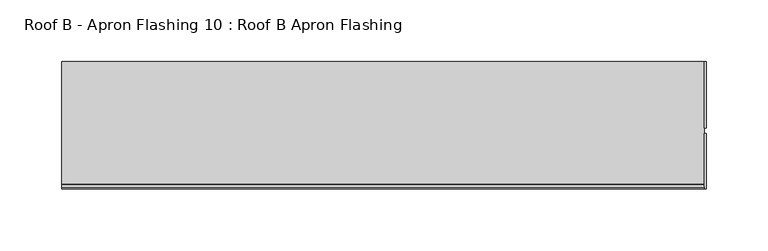
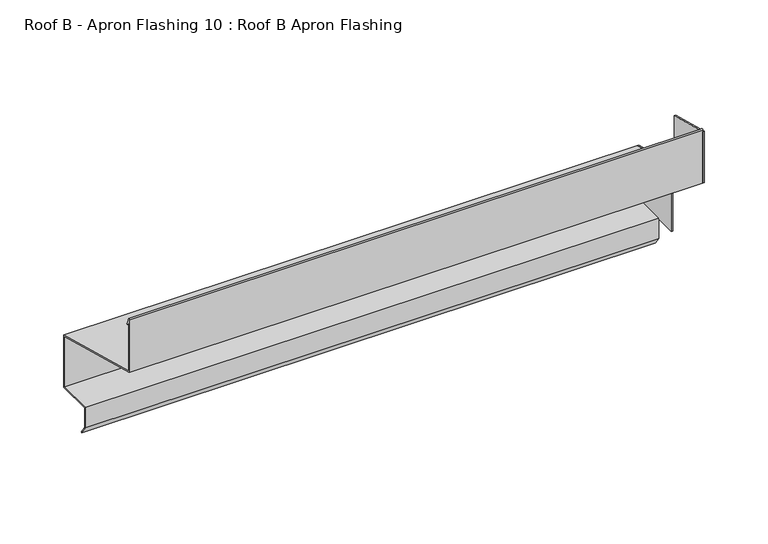
"""IFC4 building model written with IfcOpenShell, lengths in millimetres: proxy geometry, Roof B - Apron Flashing 10 : Roof B Apron Flashing."""

from ifc_helpers import new_model, si_unit, point, frame, frame_2d, origin, place, context, project, spatial, polyline, circle_curve, trimmed, segment, composite_curve, outline, extrude, source, transform, mapped, element, save


def roof_b_apron_flashing_10_roof_b_apron_flashing_08c99215(model_context):
    return source(origin(), model_context, "Body", "SweptSolid", [
        extrude(outline(polyline([(660.2773132, -392.0096237), (606.7234404, -392.0096237), (606.7234404, -327.6599067), (660.2773132, -342.0096237), (660.2773132, -392.0096237)])), frame((9686.0219031, 0.0, 0.0), z_axis=(1.0, 0.0, 0.0), x_axis=(0.0, 1.0, 0.0)), (0.0, 0.0, 1.0), 1.3240587),
        extrude(outline(polyline([(602.2092861, -278.2176697), (602.2092861, -327.4856189), (557.4043312, -315.4801674), (557.4043312, -266.2122183), (602.2092861, -278.2176697)])), frame((9686.0219031, 0.0, 0.0), z_axis=(1.0, 0.0, 0.0), x_axis=(0.0, 1.0, 0.0)), (0.0, 0.0, 1.0), 1.3240587),
        extrude(outline(composite_curve([segment(polyline([(660.2773132, -342.0096237), (660.2773132, -392.0096237), (627.6739483, -392.0096237), (627.6739483, -410.3959053), (632.884848, -417.8378413), (632.065696, -418.4114178), (626.6739483, -410.7112041), (626.6739483, -391.0096237), (659.2773132, -391.0096237), (659.2773132, -342.7769507), (557.4043312, -315.4801674), (557.4043312, -264.8977528)]), True, "CONTINUOUS"), segment(trimmed(circle_curve(frame_2d((558.0833754, -264.8977528)), 0.6790442), [point((557.4043312, -264.8977528))], [point((558.7129742, -264.6433784))], False, "CARTESIAN"), True, "CONTINUOUS"), segment(polyline([(558.7129742, -264.6433784), (561.1274291, -270.6193639)]), True, "CONTINUOUS"), segment(trimmed(circle_curve(frame_2d((560.6638371, -270.8066672)), 0.5), [point((561.1274291, -270.6193639))], [point((560.2002452, -270.9939705))], False, "CARTESIAN"), True, "CONTINUOUS"), segment(polyline([(560.2002452, -270.9939705), (558.4043312, -266.5489273), (558.4043312, -314.7128405), (660.2773132, -342.0096237)]), True, "CONTINUOUS")], self_intersect=False)), frame((9166.9913177, 0.0, 0.0), z_axis=(1.0, 0.0, 0.0), x_axis=(0.0, 1.0, 0.0)), (0.0, 0.0, 1.0), 519.0305854),
    ])


if __name__ == "__main__":
    model = new_model("IFC4")
    model_context = context("Model", 3, world=origin())
    ifc_project = project(units=[si_unit("LENGTHUNIT", "METRE", prefix="MILLI")], contexts=[model_context])
    site = spatial("IfcSite", under=ifc_project)
    building = spatial("IfcBuilding", under=site)
    placement = place(None, origin())
    roof_b_apron_flashing_10_roof_b_apron_flashing_shape = roof_b_apron_flashing_10_roof_b_apron_flashing_08c99215(model_context)
    element("IfcBuildingElementProxy", 1, Name="Roof B - Apron Flashing 10 : Roof B Apron Flashing", ObjectType="Roof B - Apron Flashing 10 : Roof B Apron Flashing", at=placement, inside=building, context=model_context, shape_type="MappedRepresentation", body=[
        mapped(roof_b_apron_flashing_10_roof_b_apron_flashing_shape, transform((0.0, 0.0, 0.0), x_axis=(1.0, 0.0, 0.0), y_axis=(0.0, 1.0, 0.0), z_axis=(0.0, 0.0, 1.0))),
    ])
    save(model, "model.ifc")
